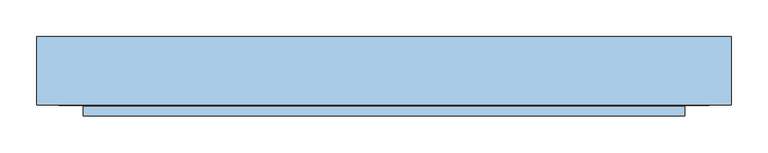
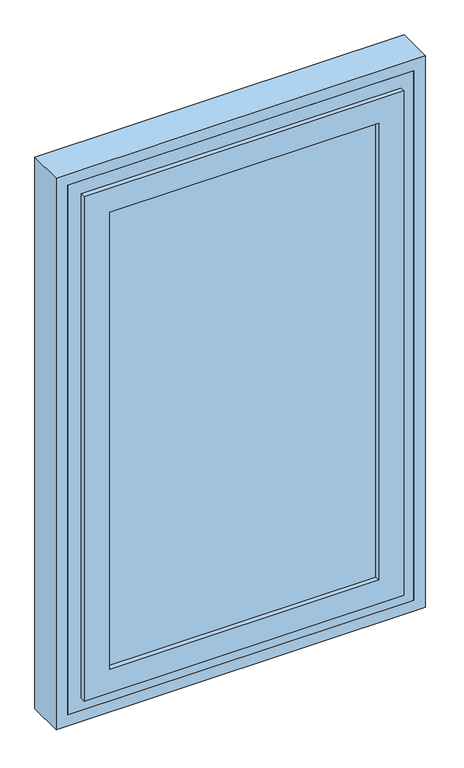
"""IFC4 building model written with IfcOpenShell, lengths in millimetres: window geometry."""

from ifc_helpers import new_model, si_unit, frame, origin, place, context, project, spatial, polyline, outline, extrude, faceted_brep, source, transform, mapped, element, save


def window_e0845c03(model_context):
    return source(origin(), model_context, "Body", "SolidModel", [
        extrude(outline(polyline([(366.0, 107.0), (366.0, 104.0), (-366.0, 104.0), (-366.0, 107.0), (366.0, 107.0)])), frame((0.0, 0.0, 909.0), z_axis=(0.0, 0.0, 1.0), x_axis=(1.0, 0.0, 0.0)), (0.0, 0.0, 1.0), 1282.0),
        extrude(outline(polyline([(366.0, 164.0), (366.0, 161.0), (-366.0, 161.0), (-366.0, 164.0), (366.0, 164.0)])), frame((0.0, 0.0, 909.0), z_axis=(0.0, 0.0, 1.0), x_axis=(1.0, 0.0, 0.0)), (0.0, 0.0, 1.0), 1282.0),
        faceted_brep([(445.0, 200.0, 830.0), (445.0, 106.0, 830.0), (-445.0, 106.0, 830.0), (-445.0, 200.0, 830.0), (445.0, 200.0, 2270.0), (445.0, 106.0, 2270.0), (-445.0, 106.0, 2270.0), (403.0, 106.0, 2228.0), (403.0, 106.0, 872.0), (-403.0, 106.0, 872.0), (-403.0, 106.0, 2228.0), (-445.0, 200.0, 2270.0), (375.0, 200.0, 2200.0), (-375.0, 200.0, 2200.0), (-375.0, 200.0, 873.6286846), (375.0, 200.0, 873.6286846), (-375.0, 180.0, 2200.0), (-375.0, 180.0, 880.9080893), (-393.0, 180.0, 880.9080893), (-393.0, 177.0, 882.0), (393.0, 177.0, 882.0), (393.0, 180.0, 880.9080893), (375.0, 180.0, 880.9080893), (375.0, 180.0, 2200.0), (403.0, 150.0, 2228.0), (403.0, 150.0, 872.0), (-403.0, 150.0, 872.0), (-403.0, 150.0, 2228.0), (393.0, 150.0, 2218.0), (393.0, 150.0, 882.0), (-393.0, 150.0, 882.0), (-393.0, 150.0, 2218.0), (393.0, 180.0, 2218.0), (-393.0, 180.0, 2218.0)], [[[0, 1, 2, 3]], [[1, 0, 4, 5]], [[2, 1, 5, 6], [7, 8, 9, 10]], [[11, 3, 2, 6]], [[0, 3, 11, 4], [12, 13, 14, 15]], [[13, 16, 17, 14]], [[15, 14, 17, 18, 19, 20, 21, 22]], [[23, 12, 15, 22]], [[7, 24, 25, 8]], [[9, 8, 25, 26]], [[26, 27, 10, 9]], [[24, 27, 26, 25], [28, 29, 30, 31]], [[28, 32, 21, 20, 29]], [[30, 29, 20, 19]], [[33, 31, 30, 19, 18]], [[32, 33, 18, 17, 16, 23, 22, 21]], [[4, 11, 6, 5]], [[7, 10, 27, 24]], [[28, 31, 33, 32]], [[13, 12, 23, 16]]]),
        faceted_brep([(-346.0, 133.0, 2171.0), (-346.0, 107.0, 2171.0), (-346.0, 107.0, 929.0), (-346.0, 133.0, 929.0), (-366.0, 107.0, 909.0), (366.0, 107.0, 909.0), (366.0, 107.0, 2191.0), (-366.0, 107.0, 2191.0), (346.0, 107.0, 2171.0), (346.0, 107.0, 929.0), (346.0, 133.0, 929.0), (-401.0, 133.0, 2226.0), (401.0, 133.0, 2226.0), (401.0, 133.0, 874.0), (-401.0, 133.0, 874.0), (346.0, 133.0, 2171.0), (-401.0, 104.0, 2226.0), (-401.0, 104.0, 874.0), (401.0, 104.0, 874.0), (-411.0, 104.0, 2236.0), (411.0, 104.0, 2236.0), (411.0, 104.0, 864.0), (-411.0, 104.0, 864.0), (401.0, 104.0, 2226.0), (-411.0, 91.0, 2236.0), (-411.0, 91.0, 864.0), (411.0, 91.0, 864.0), (411.0, 91.0, 2236.0), (-346.0, 91.0, 2171.0), (346.0, 91.0, 2171.0), (346.0, 91.0, 929.0), (-346.0, 91.0, 929.0), (-346.0, 104.0, 2171.0), (-346.0, 104.0, 929.0), (346.0, 104.0, 929.0), (-366.0, 104.0, 2191.0), (366.0, 104.0, 2191.0), (366.0, 104.0, 909.0), (-366.0, 104.0, 909.0), (346.0, 104.0, 2171.0)], [[[0, 1, 2, 3]], [[4, 5, 6, 7], [1, 8, 9, 2]], [[3, 2, 9, 10]], [[11, 12, 13, 14], [3, 10, 15, 0]], [[16, 11, 14, 17]], [[17, 14, 13, 18]], [[19, 20, 21, 22], [17, 18, 23, 16]], [[24, 19, 22, 25]], [[25, 22, 21, 26]], [[25, 26, 27, 24], [28, 29, 30, 31]], [[32, 28, 31, 33]], [[33, 31, 30, 34]], [[35, 36, 37, 38], [33, 34, 39, 32]], [[7, 35, 38, 4]], [[4, 38, 37, 5]], [[10, 9, 8, 15]], [[18, 13, 12, 23]], [[26, 21, 20, 27]], [[34, 30, 29, 39]], [[5, 37, 36, 6]], [[15, 8, 1, 0]], [[23, 12, 11, 16]], [[27, 20, 19, 24]], [[39, 29, 28, 32]], [[6, 36, 35, 7]]]),
        faceted_brep([(-346.0, 177.0, 2171.0), (-346.0, 164.0, 2171.0), (-346.0, 164.0, 929.0), (-346.0, 177.0, 929.0), (-366.0, 164.0, 909.0), (366.0, 164.0, 909.0), (366.0, 164.0, 2191.0), (-366.0, 164.0, 2191.0), (346.0, 164.0, 2171.0), (346.0, 164.0, 929.0), (346.0, 177.0, 929.0), (-391.0, 177.0, 2216.0), (391.0, 177.0, 2216.0), (391.0, 177.0, 884.0), (-391.0, 177.0, 884.0), (346.0, 177.0, 2171.0), (-391.0, 148.0, 2216.0), (-391.0, 148.0, 884.0), (391.0, 148.0, 884.0), (-401.0, 148.0, 2226.0), (401.0, 148.0, 2226.0), (401.0, 148.0, 874.0), (-401.0, 148.0, 874.0), (391.0, 148.0, 2216.0), (-401.0, 135.0, 2226.0), (-401.0, 135.0, 874.0), (401.0, 135.0, 874.0), (401.0, 135.0, 2226.0), (-346.0, 135.0, 2171.0), (346.0, 135.0, 2171.0), (346.0, 135.0, 929.0), (-346.0, 135.0, 929.0), (-346.0, 161.0, 2171.0), (-346.0, 161.0, 929.0), (346.0, 161.0, 929.0), (-366.0, 161.0, 2191.0), (366.0, 161.0, 2191.0), (366.0, 161.0, 909.0), (-366.0, 161.0, 909.0), (346.0, 161.0, 2171.0)], [[[0, 1, 2, 3]], [[4, 5, 6, 7], [1, 8, 9, 2]], [[3, 2, 9, 10]], [[11, 12, 13, 14], [3, 10, 15, 0]], [[16, 11, 14, 17]], [[17, 14, 13, 18]], [[19, 20, 21, 22], [17, 18, 23, 16]], [[24, 19, 22, 25]], [[25, 22, 21, 26]], [[25, 26, 27, 24], [28, 29, 30, 31]], [[32, 28, 31, 33]], [[33, 31, 30, 34]], [[35, 36, 37, 38], [33, 34, 39, 32]], [[7, 35, 38, 4]], [[4, 38, 37, 5]], [[10, 9, 8, 15]], [[18, 13, 12, 23]], [[26, 21, 20, 27]], [[34, 30, 29, 39]], [[5, 37, 36, 6]], [[15, 8, 1, 0]], [[23, 12, 11, 16]], [[27, 20, 19, 24]], [[39, 29, 28, 32]], [[6, 36, 35, 7]]]),
        extrude(outline(polyline([(800.0, -475.0), (800.0, 475.0), (2300.0, 475.0), (2300.0, -475.0), (800.0, -475.0)]), holes=[polyline([(2270.0, -445.0), (2270.0, 445.0), (830.0, 445.0), (830.0, -445.0), (2270.0, -445.0)])]), frame((0.0, 106.0, 0.0), z_axis=(0.0, 1.0, 0.0), x_axis=(0.0, 0.0, 1.0)), (0.0, 0.0, 1.0), 94.0),
    ])


if __name__ == "__main__":
    model = new_model("IFC4")
    model_context = context("Model", 3, world=origin())
    ifc_project = project(units=[si_unit("LENGTHUNIT", "METRE", prefix="MILLI")], contexts=[model_context])
    site = spatial("IfcSite", under=ifc_project)
    building = spatial("IfcBuilding", under=site)
    placement = place(None, origin())
    window_shape = window_e0845c03(model_context)
    element("IfcWindow", 1, at=placement, inside=building, context=model_context, shape_type="MappedRepresentation", body=[
        mapped(window_shape, transform((0.0, 0.0, 0.0), x_axis=(1.0, 0.0, 0.0), y_axis=(0.0, 1.0, 0.0), z_axis=(0.0, 0.0, 1.0))),
    ])
    save(model, "model.ifc")
